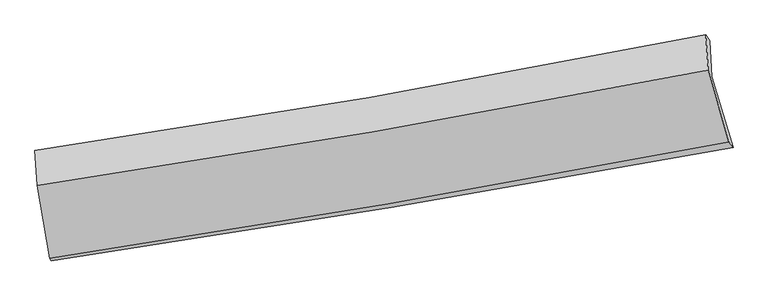
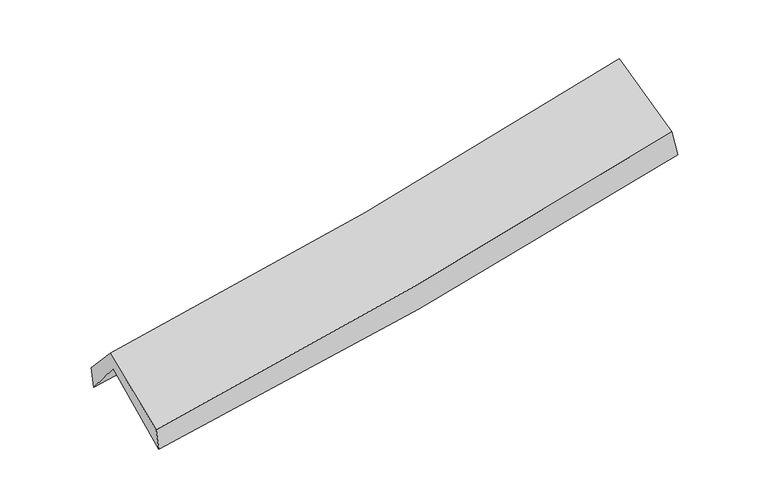
"""IFC4 building model written with IfcOpenShell, lengths in millimetres: proxy geometry."""

from ifc_helpers import new_model, si_unit, frame, origin, place, context, project, spatial, source, transform, mapped, element, save
from ifc_brep_helpers import plane_surface, spline_curve, spline_surface, advanced_brep


def generic_models_a643e3a4(model_context):
    return source(origin(), model_context, "Body", "AdvancedBrep", [
        advanced_brep(
        [(-2309.1819029, -2474.990748, 1493.1579393), (-2398.3843538, -1968.9082012, 1928.5399904), (2337.1877964, -1177.9356204, 2365.5478811), (2486.5623011, -1674.9041129, 1929.7802654), (-2411.7542413, -1715.4071769, 1614.4104777), (2324.0651208, -922.7449605, 2049.4227028), (-2423.7698613, -1696.5559792, 1778.381174), (2294.9213057, -883.112429, 2230.4942934), (-2408.7634431, -1943.6141688, 2050.9352603), (2311.6598048, -1132.2344527, 2505.7482546), (-2321.0035857, -2458.3134291, 1658.4748277), (2457.3725917, -1638.9333111, 2117.376561)],
        [
            (0, 1),
            (1, 2, spline_curve(3, [(-2398.3843538, -1968.9082012, 1928.5399904), (-1607.761569328, -1862.6901481, 1972.470519656), (-820.285364815, -1744.160052877, 2030.534080177), (758.318986737, -1480.816732906, 2175.842698261), (1549.366832325, -1335.689301128, 2263.448434735), (2337.1877964, -1177.9356204, 2365.5478811)], [4, 2, 4], [0.0, 7.91025926880322, 15.920818637135124])),
            (2, 3),
            (3, 0, spline_curve(3, [(2486.5623011, -1674.9041129, 1929.7802654), (1687.984555238, -1824.312935727, 1828.410539071), (886.514485442, -1966.063328768, 1741.199900743), (-712.13889199, -2232.568292469, 1596.01147688), (-1509.250223542, -2357.513444115, 1537.681340115), (-2309.1819029, -2474.990748, 1493.1579393)], [4, 2, 4], [0.0, 8.010559368331904, 15.920818637135124])),
            (1, 4),
            (4, 5, spline_curve(3, [(-2411.7542413, -1715.4071769, 1614.4104777), (-1621.653156689, -1606.900656556, 1660.708057903), (-834.419103089, -1487.080084417, 1719.798383608), (744.260518406, -1223.148083515, 1864.475984061), (1535.632918881, -1078.747916525, 1950.389733846), (2324.0651208, -922.7449605, 2049.4227028)], [4, 2, 4], [0.0, 7.861390710472936, 15.822461879436533])),
            (5, 2),
            (4, 6),
            (6, 7, spline_curve(3, [(-2423.7698613, -1696.5559792, 1778.381174), (-1637.385208296, -1582.771308549, 1836.664545469), (-853.430498947, -1458.585009165, 1903.192696936), (719.528569359, -1187.702611731, 2053.686661038), (1508.470916019, -1040.741060988, 2137.862882702), (2294.9213057, -883.112429, 2230.4942934)], [4, 2, 4], [0.0, 7.851317685161261, 15.802188105383776])),
            (7, 5),
            (6, 8),
            (8, 9, spline_curve(3, [(-2408.7634431, -1943.6141688, 2050.9352603), (-1622.270566468, -1826.974227991, 2106.12531317), (-838.11887749, -1701.521125431, 2171.319224768), (735.415286366, -1431.286134281, 2322.668255066), (1524.738013259, -1286.279331448, 2409.078674609), (2311.6598048, -1132.2344527, 2505.7482546)], [4, 2, 4], [0.0, 7.842657123266106, 15.7847571678452])),
            (9, 7),
            (8, 10),
            (10, 11, spline_curve(3, [(-2321.0035857, -2458.3134291, 1658.4748277), (-1524.461084229, -2337.993074624, 1716.086892032), (-730.484174195, -2210.029845739, 1782.835887447), (862.373359417, -1937.098187751, 1935.56995503), (1661.188508686, -1791.934710691, 2021.788203826), (2457.3725917, -1638.9333111, 2117.376561)], [4, 2, 4], [0.0, 7.891601534021696, 15.883266592184093])),
            (11, 9),
            (10, 0),
            (3, 11),
        ],
        [
            spline_surface(3, 3, [[(-2309.1819029, -2474.990748, 1493.1579393), (-1509.250223509, -2357.513444211, 1537.681340086), (-712.138891964, -2232.568292385, 1596.011476959), (886.514485417, -1966.063328853, 1741.199900663), (1687.984555207, -1824.312935693, 1828.410539119), (2486.5623011, -1674.9041129, 1929.7802654)], [(-2338.916053219, -2306.296565707, 1638.285289676), (-1542.087338814, -2192.572345518, 1682.611066616), (-748.187716278, -2069.765545922, 1740.852344664), (843.78265253, -1804.31446349, 1886.080833166), (1641.778647578, -1661.438390816, 1973.423170958), (2436.770799529, -1509.247948751, 2075.036137309)], [(-2368.650203481, -2137.602383493, 1783.412640024), (-1574.924454062, -2027.631246905, 1827.540793118), (-784.236540555, -1906.962799469, 1885.693212466), (801.050819679, -1642.565598138, 2030.961765765), (1595.572739962, -1498.563845886, 2118.435802769), (2386.979297971, -1343.591784549, 2220.292009191)], [(-2398.3843538, -1968.9082012, 1928.5399904), (-1607.761569367, -1862.690148211, 1972.470519648), (-820.285364869, -1744.160053006, 2030.534080171), (758.318986792, -1480.816732775, 2175.842698268), (1549.366832333, -1335.689301008, 2263.448434608), (2337.1877964, -1177.9356204, 2365.5478811)]], [4, 4], [4, 2, 4], [0.0, 2.1758652498683344], [0.0, 7.91025926880322, 15.920818637135124]),
            spline_surface(3, 3, [[(-2398.3843538, -1968.9082012, 1928.5399904), (-1607.761569367, -1862.690148211, 1972.470519648), (-820.285364869, -1744.160053006, 2030.534080171), (758.318986792, -1480.816732775, 2175.842698268), (1549.366832333, -1335.689301008, 2263.448434608), (2337.1877964, -1177.9356204, 2365.5478811)], [(-2402.840982938, -1884.407859792, 1823.830152831), (-1612.392098427, -1777.42698433, 1868.549699102), (-824.996610924, -1658.4667302, 1926.955514634), (753.632830665, -1394.927183002, 2072.053793596), (1544.788861185, -1250.042172856, 2159.095534304), (2332.813571211, -1092.872067084, 2260.172821661)], [(-2407.297612162, -1799.907518308, 1719.120315269), (-1617.022627573, -1692.163820372, 1764.628878563), (-829.70785701, -1572.773407337, 1823.376949026), (748.946674509, -1309.037633172, 1968.264888854), (1540.210890004, -1164.395044753, 2054.742634018), (2328.439345989, -1007.808513816, 2154.797762239)], [(-2411.7542413, -1715.4071769, 1614.4104777), (-1621.653156634, -1606.900656491, 1660.708058017), (-834.419103066, -1487.080084531, 1719.798383489), (744.260518383, -1223.148083399, 1864.475984182), (1535.632918856, -1078.747916601, 1950.389733715), (2324.0651208, -922.7449605, 2049.4227028)]], [4, 4], [4, 2, 4], [0.0, 1.325384171779996], [0.0, 7.861390710472936, 15.822461879436533]),
            spline_surface(3, 3, [[(-2411.7542413, -1715.4071769, 1614.4104777), (-1621.653156634, -1606.900656491, 1660.708058017), (-834.419103066, -1487.080084531, 1719.798383489), (744.260518383, -1223.148083399, 1864.475984182), (1535.632918856, -1078.747916601, 1950.389733715), (2324.0651208, -922.7449605, 2049.4227028)], [(-2415.759447972, -1709.123444307, 1669.067376481), (-1626.89717385, -1598.857540524, 1719.360220557), (-840.756235043, -1477.581726088, 1780.9298213), (736.016535415, -1211.332926123, 1927.546209796), (1526.578917856, -1066.078964727, 2012.88078342), (2314.350515747, -909.534116685, 2109.779899668)], [(-2419.764654628, -1702.839711793, 1723.724275219), (-1632.141191052, -1590.814424634, 1778.012383053), (-847.093367055, -1468.083367706, 1842.061259125), (727.772552414, -1199.517768907, 1990.616435424), (1517.524916914, -1053.410012797, 2075.37183312), (2304.635910753, -896.323272815, 2170.137096532)], [(-2423.7698613, -1696.5559792, 1778.381174), (-1637.385208268, -1582.771308667, 1836.664545593), (-853.430499032, -1458.585009263, 1903.192696936), (719.528569446, -1187.702611631, 2053.686661038), (1508.470915914, -1040.741060923, 2137.862882826), (2294.9213057, -883.112429, 2230.4942934)]], [4, 4], [4, 2, 4], [0.0, 0.6244543196689456], [0.0, 7.851317685161261, 15.802188105383776]),
            spline_surface(3, 3, [[(-2423.7698613, -1696.5559792, 1778.381174), (-1637.385208268, -1582.771308667, 1836.664545593), (-853.430499032, -1458.585009263, 1903.192696936), (719.528569446, -1187.702611631, 2053.686661038), (1508.470915914, -1040.741060923, 2137.862882826), (2294.9213057, -883.112429, 2230.4942934)], [(-2418.767721898, -1778.908709095, 1869.232536105), (-1632.346994346, -1664.172281783, 1926.484801415), (-848.32662517, -1539.563714651, 1992.568206218), (724.824141712, -1268.897119206, 2143.34719235), (1513.893281672, -1122.587151116, 2228.268146767), (2300.500805397, -966.153103569, 2322.245613777)], [(-2413.765582502, -1861.261438905, 1960.083898195), (-1627.308780428, -1745.573254814, 2016.305057222), (-843.222751269, -1620.542420005, 2081.943715539), (730.119714016, -1350.091626746, 2233.0077237), (1519.315647439, -1204.433241302, 2318.673410779), (2306.080305103, -1049.193778131, 2413.996934223)], [(-2408.7634431, -1943.6141688, 2050.9352603), (-1622.270566506, -1826.97422793, 2106.125313043), (-838.118877407, -1701.521125393, 2171.319224821), (735.415286282, -1431.28613432, 2322.668255012), (1524.738013197, -1286.279331495, 2409.07867472), (2311.6598048, -1132.2344527, 2505.7482546)]], [4, 4], [4, 2, 4], [0.0, 1.189932885181442], [0.0, 7.842657123266106, 15.7847571678452]),
            spline_surface(3, 3, [[(-2408.7634431, -1943.6141688, 2050.9352603), (-1622.270566506, -1826.97422793, 2106.125313043), (-838.118877407, -1701.521125393, 2171.319224821), (735.415286282, -1431.28613432, 2322.668255012), (1524.738013197, -1286.279331495, 2409.07867472), (2311.6598048, -1132.2344527, 2505.7482546)], [(-2379.510157312, -2115.180588897, 1920.11511608), (-1589.667405773, -1997.313843449, 1976.112506038), (-802.240643028, -1871.024032133, 2041.82477906), (777.734644008, -1599.890152159, 2193.635488345), (1570.221511674, -1454.831124563, 2279.981851157), (2360.230733779, -1301.134072147, 2376.291023424)], [(-2350.256871488, -2286.747009003, 1789.29497192), (-1557.064245004, -2167.653458978, 1846.099699093), (-766.362408633, -2040.526938894, 1912.330333263), (820.05400175, -1768.494170018, 2064.602721642), (1615.705010113, -1623.382917691, 2150.885027521), (2408.801662721, -1470.033691653, 2246.833792176)], [(-2321.0035857, -2458.3134291, 1658.4748277), (-1524.461084271, -2337.993074498, 1716.086892088), (-730.484174254, -2210.029845634, 1782.835887502), (862.373359476, -1937.098187857, 1935.569954975), (1661.188508589, -1791.934710759, 2021.788203958), (2457.3725917, -1638.9333111, 2117.376561)]], [4, 4], [4, 2, 4], [0.0, 2.1296583811171095], [0.0, 7.891601534021696, 15.883266592184093]),
            spline_surface(3, 3, [[(-2321.0035857, -2458.3134291, 1658.4748277), (-1524.461084271, -2337.993074498, 1716.086892088), (-730.484174254, -2210.029845634, 1782.835887502), (862.373359476, -1937.098187857, 1935.569954975), (1661.188508589, -1791.934710759, 2021.788203958), (2457.3725917, -1638.9333111, 2117.376561)], [(-2317.063024761, -2463.872535402, 1603.369198227), (-1519.390797345, -2344.499864404, 1656.618374747), (-724.369080148, -2217.542661218, 1720.561084001), (870.420401465, -1946.753234856, 1870.779936884), (1670.120524132, -1802.727452401, 1957.328982339), (2467.102494837, -1650.923578364, 2054.84446246)], [(-2313.122463839, -2469.431641698, 1548.263568773), (-1514.320510435, -2351.006654304, 1597.149857427), (-718.253986069, -2225.055476802, 1658.28628046), (878.467443428, -1956.408281854, 1805.989918753), (1679.052539665, -1813.520194051, 1892.869760739), (2476.832397963, -1662.913845636, 1992.31236394)], [(-2309.1819029, -2474.990748, 1493.1579393), (-1509.250223509, -2357.513444211, 1537.681340086), (-712.138891964, -2232.568292385, 1596.011476959), (886.514485417, -1966.063328853, 1741.199900663), (1687.984555207, -1824.312935693, 1828.410539119), (2486.5623011, -1674.9041129, 1929.7802654)]], [4, 4], [4, 2, 4], [0.0, 0.6350207906321501], [0.0, 7.949161005955002, 15.999115375689021]),
            plane_surface(frame((2368.6281534, -1238.3108144, 2199.7283264), z_axis=(0.9746017624467684, 0.19229726425760546, 0.1147744169869474), x_axis=(0.22251841662460567, -0.773781286002818, -0.5930835318019745))),
            plane_surface(frame((-2378.8095647, -2042.9649505, 1753.9832782), z_axis=(-0.9905125802901157, -0.12445385890411799, -0.05827576932903605), x_axis=(-0.07096871030397857, 0.10011838690803732, 0.9924413084715501))),
        ],
        [
            (0, [[1, 2, 3, 4]]),
            (1, [[5, 6, 7, -2]]),
            (2, [[8, 9, 10, -6]]),
            (3, [[11, 12, 13, -9]]),
            (4, [[14, 15, 16, -12]]),
            (5, [[17, -4, 18, -15]]),
            (6, [[-16, -18, -3, -7, -10, -13]]),
            (7, [[-17, -14, -11, -8, -5, -1]]),
        ],
    ),
    ])


if __name__ == "__main__":
    model = new_model("IFC4")
    model_context = context("Model", 3, world=origin())
    ifc_project = project(units=[si_unit("LENGTHUNIT", "METRE", prefix="MILLI")], contexts=[model_context])
    site = spatial("IfcSite", under=ifc_project)
    building = spatial("IfcBuilding", under=site)
    placement = place(None, origin())
    generic_models_shape = generic_models_a643e3a4(model_context)
    element("IfcBuildingElementProxy", 1, Name="Generic Models", at=placement, inside=building, context=model_context, shape_type="MappedRepresentation", body=[
        mapped(generic_models_shape, transform((0.0, 0.0, 0.0), x_axis=(1.0, 0.0, 0.0), y_axis=(0.0, 1.0, 0.0), z_axis=(0.0, 0.0, 1.0))),
    ])
    save(model, "model.ifc")
